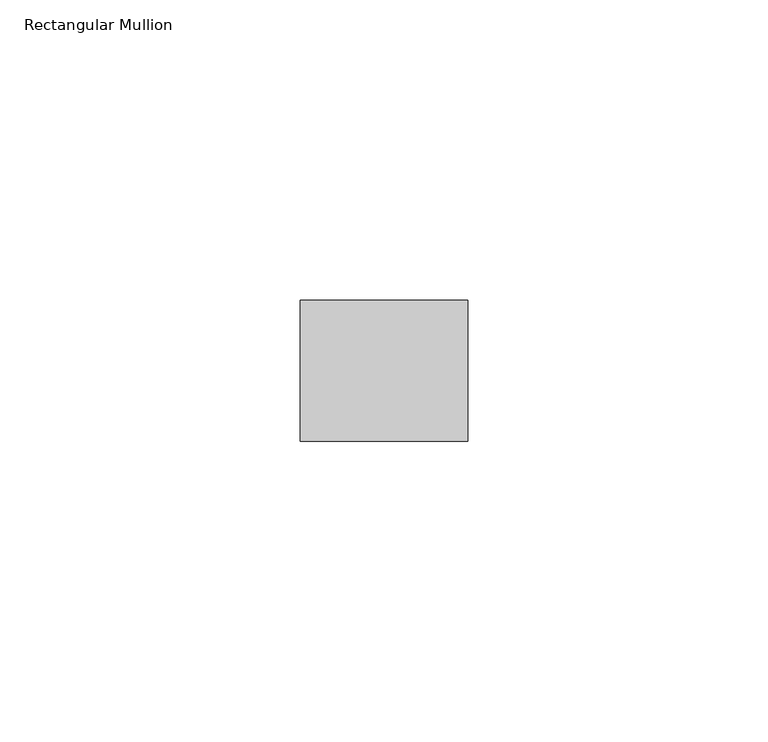
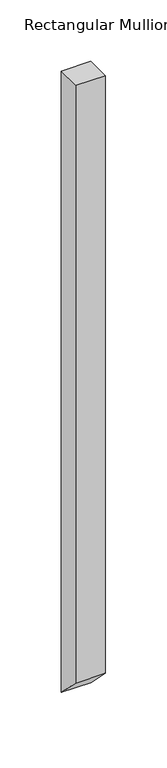
"""IFC4 building model written with IfcOpenShell, lengths in millimetres: member geometry, Rectangular Mullion."""

from ifc_helpers import new_model, si_unit, frame, origin, place, context, project, spatial, polyline, outline, extrude, source, transform, mapped, element, save


def rectangular_mullion_fb25adae(model_context):
    return source(origin(), model_context, "Body", "SweptSolid", [
        extrude(outline(polyline([(-11.7474999, 0.0), (11.7474999, 0.0), (11.7474999, -619.3851148), (-11.7474999, -595.8901149), (-11.7474999, 0.0)])), frame((-27.94, 0.0, 0.0), z_axis=(1.0, 0.0, 0.0), x_axis=(0.0, 1.0, 0.0)), (0.0, 0.0, 1.0), 27.94),
    ])


if __name__ == "__main__":
    model = new_model("IFC4")
    model_context = context("Model", 3, world=origin())
    ifc_project = project(units=[si_unit("LENGTHUNIT", "METRE", prefix="MILLI")], contexts=[model_context])
    site = spatial("IfcSite", under=ifc_project)
    building = spatial("IfcBuilding", under=site)
    placement = place(None, origin())
    rectangular_mullion_shape = rectangular_mullion_fb25adae(model_context)
    element("IfcMember", 1, ObjectType="Rectangular Mullion", at=placement, inside=building, context=model_context, shape_type="MappedRepresentation", body=[
        mapped(rectangular_mullion_shape, transform((0.0, 0.0, 0.0), x_axis=(1.0, 0.0, 0.0), y_axis=(0.0, 1.0, 0.0), z_axis=(0.0, 0.0, 1.0))),
    ])
    save(model, "model.ifc")
